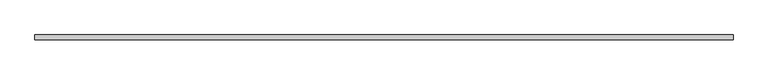
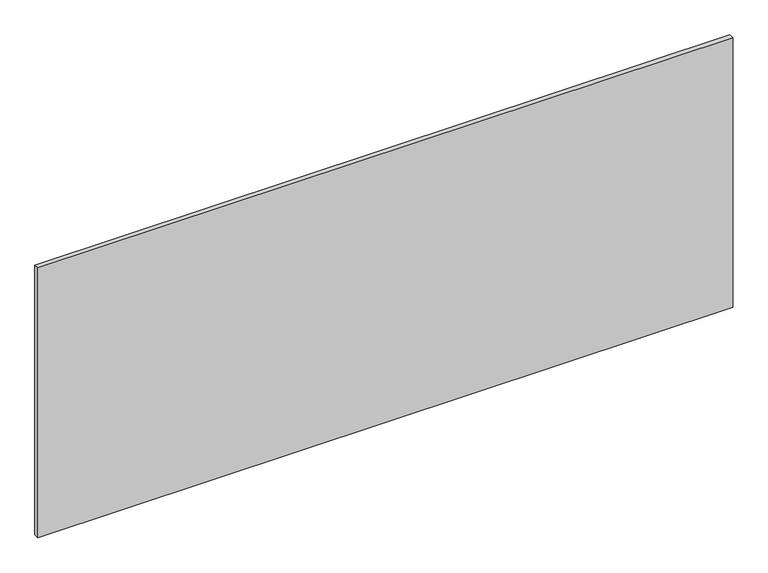
"""IFC4 building model written with IfcOpenShell, lengths in millimetres: furniture geometry."""

from ifc_helpers import new_model, si_unit, frame, origin, place, context, project, spatial, polyline, outline, extrude, source, transform, mapped, element, save


def furniture_36093071(model_context):
    return source(origin(), model_context, "Body", "SweptSolid", [
        extrude(outline(polyline([(1503.0444477, 14.3510022), (20.9544532, 14.3510022), (20.9544532, 24.5110016), (1503.0444477, 24.5110016), (1503.0444477, 14.3510022)])), frame((0.0, 0.0, 675.8939913), z_axis=(0.0, 0.0, 1.0), x_axis=(1.0, 0.0, 0.0)), (0.0, 0.0, 1.0), 607.5680746),
    ])


if __name__ == "__main__":
    model = new_model("IFC4")
    model_context = context("Model", 3, world=origin())
    ifc_project = project(units=[si_unit("LENGTHUNIT", "METRE", prefix="MILLI")], contexts=[model_context])
    site = spatial("IfcSite", under=ifc_project)
    building = spatial("IfcBuilding", under=site)
    placement = place(None, origin())
    furniture_shape = furniture_36093071(model_context)
    element("IfcFurniture", 1, at=placement, inside=building, context=model_context, shape_type="MappedRepresentation", body=[
        mapped(furniture_shape, transform((0.0, 0.0, 0.0), x_axis=(1.0, 0.0, 0.0), y_axis=(0.0, 1.0, 0.0), z_axis=(0.0, 0.0, 1.0))),
    ])
    save(model, "model.ifc")
